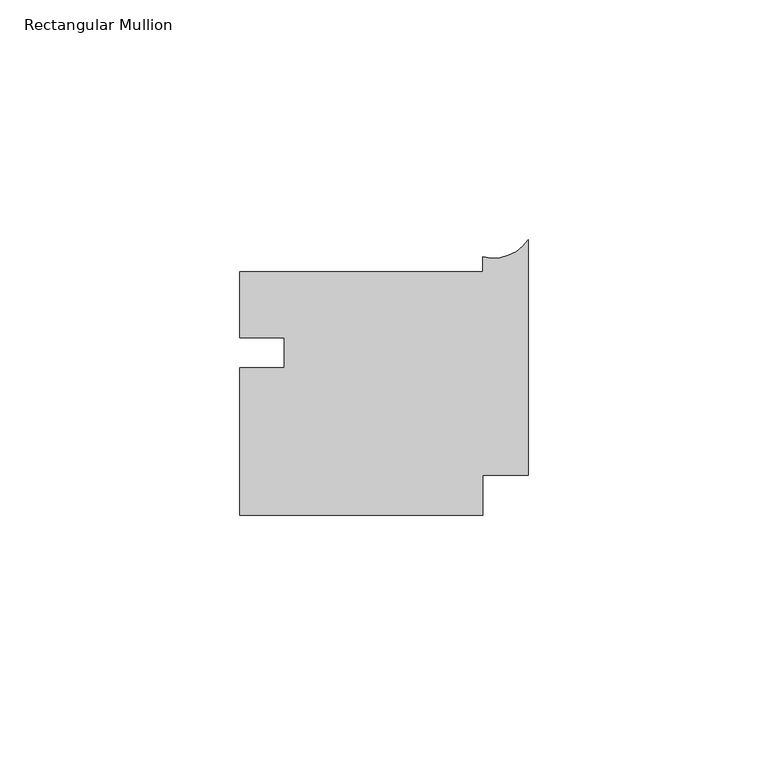
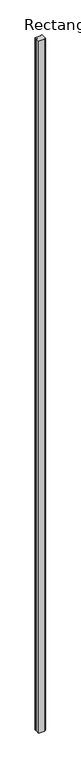
"""IFC4 building model written with IfcOpenShell, lengths in millimetres: member geometry, Rectangular Mullion."""

from ifc_helpers import new_model, si_unit, point, frame, frame_2d, origin, place, context, project, spatial, polyline, circle_curve, trimmed, segment, composite_curve, outline, extrude, source, transform, mapped, element, save


def rectangular_mullion_2fa76c96(model_context):
    return source(origin(), model_context, "Body", "SweptSolid", [
        extrude(outline(composite_curve([segment(polyline([(-9.5134254, -26.656004), (-9.5261254, -35.0030379), (-60.3285638, -35.0030379), (-60.3285638, -4.1996639), (-51.0245946, -4.1996639), (-51.0245946, 2.0911616), (-60.3285638, 2.0911616), (-60.3285638, 15.7969621), (-9.5261254, 15.7969621), (-9.5261254, 18.9719621)]), True, "CONTINUOUS"), segment(trimmed(circle_curve(frame_2d((-7.2953837, 27.4803187)), 8.7959275), [point((-9.5261254, 18.9719621))], [point((0.0, 22.5664896))], True, "CARTESIAN"), True, "CONTINUOUS"), segment(polyline([(0.0, 22.5664896), (0.0, -26.656004), (-9.5134254, -26.656004)]), True, "CONTINUOUS")], self_intersect=False)), frame((0.0, 0.0, -6096.0), z_axis=(0.0, 0.0, 1.0), x_axis=(1.0, 0.0, 0.0)), (0.0, 0.0, 1.0), 6096.0),
    ])


if __name__ == "__main__":
    model = new_model("IFC4")
    model_context = context("Model", 3, world=origin())
    ifc_project = project(units=[si_unit("LENGTHUNIT", "METRE", prefix="MILLI")], contexts=[model_context])
    site = spatial("IfcSite", under=ifc_project)
    building = spatial("IfcBuilding", under=site)
    placement = place(None, origin())
    rectangular_mullion_shape = rectangular_mullion_2fa76c96(model_context)
    element("IfcMember", 1, ObjectType="Rectangular Mullion", at=placement, inside=building, context=model_context, shape_type="MappedRepresentation", body=[
        mapped(rectangular_mullion_shape, transform((0.0, 0.0, 0.0), x_axis=(1.0, 0.0, 0.0), y_axis=(0.0, 1.0, 0.0), z_axis=(0.0, 0.0, 1.0))),
    ])
    save(model, "model.ifc")
